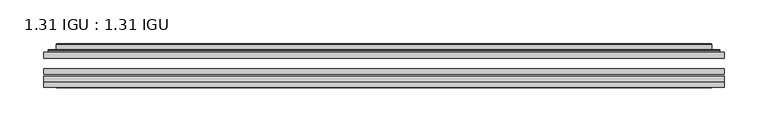
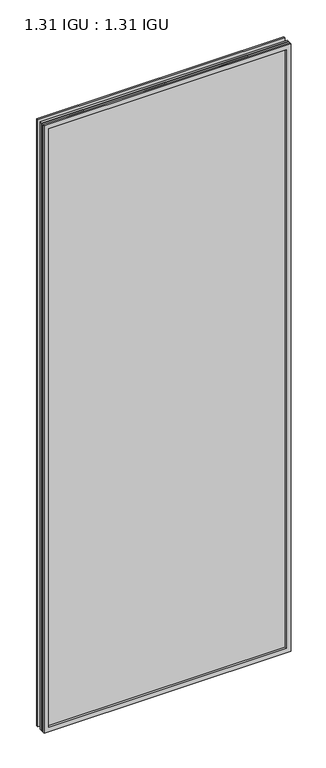
"""IFC4 building model written with IfcOpenShell, lengths in millimetres: plate geometry, 1.31 IGU : 1.31 IGU."""

from ifc_helpers import new_model, si_unit, frame, origin, place, context, project, spatial, polyline, ellipse_curve, outline, extrude, faceted_brep, source, transform, mapped, element, save
from ifc_brep_helpers import plane_surface, cylinder_surface, advanced_brep


def plate_1_31_igu_1_31_igu_a2ac468d(model_context):
    return source(origin(), model_context, "Body", "SolidModel", [
        extrude(outline(polyline([(387.3640393, -63.2975937), (387.3640393, -69.6475938), (-387.3498644, -69.6475938), (-387.3498644, -63.2975937), (387.3640393, -63.2975937)])), frame((0.0, 0.0, -14.2875), z_axis=(0.0, 0.0, 1.0), x_axis=(1.0, 0.0, 0.0)), (0.0, 0.0, 1.0), 2009.7787982),
        extrude(outline(polyline([(-387.3498644, -78.2835938), (-387.3498644, -71.9330887), (387.3640393, -71.9330887), (387.3640393, -78.2835938), (-387.3498644, -78.2835938)])), frame((0.0, 0.0, -14.2875), z_axis=(0.0, 0.0, 1.0), x_axis=(1.0, 0.0, 0.0)), (0.0, 0.0, 1.0), 2009.7787982),
        extrude(outline(polyline([(387.3640393, -44.9587937), (387.3640393, -51.3087938), (-387.3498644, -51.3087938), (-387.3498644, -44.9587937), (387.3640393, -44.9587937)])), frame((0.0, 0.0, -14.2875), z_axis=(0.0, 0.0, 1.0), x_axis=(1.0, 0.0, 0.0)), (0.0, 0.0, 1.0), 2009.7787982),
        faceted_brep([(-387.3625644, -84.6335937, 1995.5002003), (-387.3625644, -78.2835937, 1995.5002003), (-387.3625644, -78.2835937, -14.3002), (-387.3625644, -84.6335937, -14.3002), (387.3625644, -78.2835937, -14.3002), (387.3625644, -84.6335937, -14.3002), (387.3625644, -78.2835937, 1995.5002003), (387.3625644, -84.6335937, 1995.5002003), (-372.1646202, -78.2835937, 0.8977441), (372.1646202, -78.2835937, 0.8977441), (372.1646202, -78.2835937, 1980.3022561), (-372.1646202, -78.2835937, 1980.3022561), (-373.0570545, -84.6335937, 1981.1946904), (373.0570545, -84.6335937, 1981.1946904), (373.0570545, -84.6335937, 0.0053098), (-373.0570545, -84.6335937, 0.0053098)], [[[0, 1, 2, 3]], [[3, 2, 4, 5]], [[5, 4, 6, 7]], [[1, 6, 4, 2], [8, 9, 10, 11]], [[7, 6, 1, 0]], [[3, 5, 7, 0], [12, 13, 14, 15]], [[11, 12, 15, 8]], [[8, 15, 14, 9]], [[9, 14, 13, 10]], [[10, 13, 12, 11]]]),
        advanced_brep(
        [(-380.1085834, -44.9587937, 1988.2462193), (-382.4627888, -42.9691271, 1990.6004247), (-382.4627888, -42.9691271, -9.4004244), (-380.1085834, -44.9587937, -7.046219), (-371.0342583, -41.1187568, 1979.1718942), (-366.0994264, -44.9587937, 1974.2370623), (-366.0994264, -44.9587937, 6.9629379), (-371.0342583, -41.1187568, 2.0281061), (-372.066286, -35.7215256, 1980.2039219), (-372.066286, -35.7215256, 0.9960783), (-373.0569428, -35.3225507, 1981.1945787), (-373.0569428, -35.3225507, 0.0054216), (-373.0569428, -41.7837937, 1981.1945787), (-373.0569428, -41.7837937, 0.0054216), (-381.4609992, -41.7837937, 1989.5986351), (-381.4609992, -41.7837937, -8.3986349), (382.4627888, -42.9691271, -9.4004244), (380.1085834, -44.9587937, -7.046219), (366.0994264, -44.9587937, 6.9629379), (371.0342583, -41.1187568, 2.0281061), (372.066286, -35.7215256, 0.9960783), (373.0569428, -35.3225507, 0.0054216), (373.0569428, -41.7837937, 0.0054216), (381.4609992, -41.7837937, -8.3986349), (382.4627888, -42.9691271, 1990.6004247), (380.1085834, -44.9587937, 1988.2462193), (366.0994264, -44.9587937, 1974.2370623), (371.0342583, -41.1187568, 1979.1718942), (372.066286, -35.7215256, 1980.2039219), (373.0569428, -35.3225507, 1981.1945787), (373.0569428, -41.7837937, 1981.1945787), (381.4609992, -41.7837937, 1989.5986351)],
        [
            (0, 1, ellipse_curve(frame((-380.1085834, -42.5711937, 1988.2462193), z_axis=(-0.7071067811865475, 0.0, -0.7071067811865475), x_axis=(-0.7071067811865474, 0.0, 0.7071067811865476)), 3.3765763, 2.3876)),
            (1, 2),
            (2, 3, ellipse_curve(frame((-380.1085834, -42.5711937, -7.046219), z_axis=(-0.7071067811865475, 0.0, 0.7071067811865475), x_axis=(0.7071067811865474, 0.0, 0.7071067811865476)), 3.3765763, 2.3876)),
            (3, 0),
            (4, 5),
            (5, 6),
            (6, 7),
            (7, 4),
            (8, 4),
            (7, 9),
            (9, 8),
            (10, 8, ellipse_curve(frame((-372.6899862, -35.840786, 1980.8276221), z_axis=(-0.7071067811865475, 0.0, -0.7071067811865475), x_axis=(-0.7071067811865474, 0.0, 0.7071067811865476)), 0.8980256, 0.635)),
            (9, 11, ellipse_curve(frame((-372.6899862, -35.840786, 0.3723781), z_axis=(-0.7071067811865475, 0.0, 0.7071067811865475), x_axis=(0.7071067811865474, 0.0, 0.7071067811865476)), 0.8980256, 0.635)),
            (11, 10),
            (12, 10),
            (11, 13),
            (13, 12),
            (1, 14, ellipse_curve(frame((-381.4609992, -42.7997937, 1989.5986351), z_axis=(-0.7071067811865475, 0.0, -0.7071067811865475), x_axis=(-0.7071067811865474, 0.0, 0.7071067811865476)), 1.436841, 1.016)),
            (14, 15),
            (15, 2, ellipse_curve(frame((-381.4609992, -42.7997937, -8.3986349), z_axis=(-0.7071067811865475, 0.0, 0.7071067811865475), x_axis=(0.7071067811865474, 0.0, 0.7071067811865476)), 1.436841, 1.016)),
            (2, 16),
            (16, 17, ellipse_curve(frame((380.1085834, -42.5711937, -7.046219), z_axis=(-0.7071067811865475, 0.0, -0.7071067811865475), x_axis=(-0.7071067811865476, 0.0, 0.7071067811865474)), 3.3765763, 2.3876)),
            (17, 3),
            (6, 18),
            (18, 19),
            (19, 7),
            (19, 20),
            (20, 9),
            (20, 21, ellipse_curve(frame((372.6899862, -35.840786, 0.3723781), z_axis=(-0.7071067811865475, 0.0, -0.7071067811865475), x_axis=(-0.7071067811865476, 0.0, 0.7071067811865474)), 0.8980256, 0.635)),
            (21, 11),
            (21, 22),
            (22, 13),
            (15, 23),
            (23, 16, ellipse_curve(frame((381.4609992, -42.7997937, -8.3986349), z_axis=(-0.7071067811865475, 0.0, -0.7071067811865475), x_axis=(-0.7071067811865476, 0.0, 0.7071067811865474)), 1.436841, 1.016)),
            (16, 24),
            (24, 25, ellipse_curve(frame((380.1085834, -42.5711937, 1988.2462193), z_axis=(0.7071067811865475, 0.0, -0.7071067811865475), x_axis=(-0.7071067811865474, 0.0, -0.7071067811865476)), 3.3765763, 2.3876)),
            (25, 17),
            (18, 26),
            (26, 27),
            (27, 19),
            (27, 28),
            (28, 20),
            (28, 29, ellipse_curve(frame((372.6899862, -35.840786, 1980.8276221), z_axis=(0.7071067811865475, 0.0, -0.7071067811865475), x_axis=(-0.7071067811865474, 0.0, -0.7071067811865476)), 0.8980256, 0.635)),
            (29, 21),
            (29, 30),
            (30, 22),
            (23, 31),
            (31, 24, ellipse_curve(frame((381.4609992, -42.7997937, 1989.5986351), z_axis=(0.7071067811865475, 0.0, -0.7071067811865475), x_axis=(-0.7071067811865474, 0.0, -0.7071067811865476)), 1.436841, 1.016)),
            (24, 1),
            (0, 25),
            (5, 26),
            (4, 27),
            (8, 28),
            (10, 29),
            (12, 30),
            (14, 31),
        ],
        [
            cylinder_surface(frame((-380.1085834, -42.5711937, 2012.9500003), z_axis=(0.0, 0.0, 1.0), x_axis=(-1.0, 0.0, 0.0)), 2.3876),
            plane_surface(frame((-366.0994264, -44.9587937, 1974.2370623), z_axis=(0.6141233906514794, 0.7892100234124821, 0.0), x_axis=(0.0, 0.0, -1.0))),
            plane_surface(frame((-371.0342583, -41.1187568, 1979.1718942), z_axis=(0.9822050625507729, 0.18781164793386076, 0.0), x_axis=(0.0, 0.0, -1.0))),
            cylinder_surface(frame((-372.6899862, -35.840786, 2012.9500003), z_axis=(0.0, 0.0, 1.0), x_axis=(-1.0, 0.0, 0.0)), 0.635),
            plane_surface(frame((-373.0569428, -35.3225507, 1981.1945787), z_axis=(-1.0, 0.0, 0.0), x_axis=(0.0, 0.0, -1.0))),
            cylinder_surface(frame((-381.4609992, -42.7997937, 2012.9500003), z_axis=(0.0, 0.0, 1.0), x_axis=(-1.0, 0.0, 0.0)), 1.016),
            cylinder_surface(frame((-404.8123644, -42.5711937, -7.046219), z_axis=(-1.0, 0.0, 0.0), x_axis=(0.0, 0.0, -1.0)), 2.3876),
            plane_surface(frame((-366.0994264, -44.9587937, 6.9629379), z_axis=(0.0, 0.7892100234124841, 0.6141233906514768), x_axis=(1.0, 0.0, 0.0))),
            plane_surface(frame((-371.0342583, -41.1187568, 2.0281061), z_axis=(0.0, 0.18781164793386393, 0.9822050625507723), x_axis=(1.0, 0.0, 0.0))),
            cylinder_surface(frame((-404.8123644, -35.840786, 0.3723781), z_axis=(-1.0, 0.0, 0.0), x_axis=(0.0, 0.0, -1.0)), 0.635),
            plane_surface(frame((-373.0569428, -35.3225507, 0.0054216), z_axis=(0.0, 0.0, -1.0), x_axis=(1.0, 0.0, 0.0))),
            cylinder_surface(frame((-404.8123644, -42.7997937, -8.3986349), z_axis=(-1.0, 0.0, 0.0), x_axis=(0.0, 0.0, -1.0)), 1.016),
            cylinder_surface(frame((380.1085834, -42.5711937, -31.75), z_axis=(0.0, 0.0, -1.0), x_axis=(1.0, 0.0, 0.0)), 2.3876),
            plane_surface(frame((366.0994264, -44.9587937, 6.9629379), z_axis=(-0.6141233906514743, 0.7892100234124861, 0.0), x_axis=(0.0, 0.0, 1.0))),
            plane_surface(frame((371.0342583, -41.1187568, 2.0281061), z_axis=(-0.9822050625507718, 0.1878116479338671, 0.0), x_axis=(0.0, 0.0, 1.0))),
            cylinder_surface(frame((372.6899862, -35.840786, -31.75), z_axis=(0.0, 0.0, -1.0), x_axis=(1.0, 0.0, 0.0)), 0.635),
            plane_surface(frame((373.0569428, -35.3225507, 0.0054216), z_axis=(1.0, 0.0, 0.0), x_axis=(0.0, 0.0, 1.0))),
            cylinder_surface(frame((381.4609992, -42.7997937, -31.75), z_axis=(0.0, 0.0, -1.0), x_axis=(1.0, 0.0, 0.0)), 1.016),
            cylinder_surface(frame((404.8123644, -42.5711937, 1988.2462193), z_axis=(1.0, 0.0, 0.0), x_axis=(0.0, 0.0, 1.0)), 2.3876),
            plane_surface(frame((380.1085834, -44.9587937, 1988.2462193), z_axis=(0.0, -1.0, 0.0), x_axis=(-1.0, 0.0, 0.0))),
            plane_surface(frame((366.0994264, -44.9587937, 1974.2370623), z_axis=(0.0, 0.7892100234124841, -0.6141233906514768), x_axis=(-1.0, 0.0, 0.0))),
            plane_surface(frame((371.0342583, -41.1187568, 1979.1718942), z_axis=(0.0, 0.18781164793386393, -0.9822050625507723), x_axis=(-1.0, 0.0, 0.0))),
            cylinder_surface(frame((404.8123644, -35.840786, 1980.8276221), z_axis=(1.0, 0.0, 0.0), x_axis=(0.0, 0.0, 1.0)), 0.635),
            plane_surface(frame((373.0569428, -35.3225507, 1981.1945787), z_axis=(0.0, 0.0, 1.0), x_axis=(-1.0, 0.0, 0.0))),
            plane_surface(frame((373.0569428, -41.7837937, 1981.1945787), z_axis=(0.0, 1.0, 0.0), x_axis=(-1.0, 0.0, 0.0))),
            cylinder_surface(frame((404.8123644, -42.7997937, 1989.5986351), z_axis=(1.0, 0.0, 0.0), x_axis=(0.0, 0.0, 1.0)), 1.016),
        ],
        [
            (0, [[1, 2, 3, 4]]),
            (1, [[5, 6, 7, 8]]),
            (2, [[9, -8, 10, 11]]),
            (3, [[12, -11, 13, 14]]),
            (4, [[15, -14, 16, 17]]),
            (5, [[18, 19, 20, -2]]),
            (6, [[-3, 21, 22, 23]]),
            (7, [[-7, 24, 25, 26]]),
            (8, [[-10, -26, 27, 28]]),
            (9, [[-13, -28, 29, 30]]),
            (10, [[-16, -30, 31, 32]]),
            (11, [[-20, 33, 34, -21]]),
            (12, [[-22, 35, 36, 37]]),
            (13, [[-25, 38, 39, 40]]),
            (14, [[-27, -40, 41, 42]]),
            (15, [[-29, -42, 43, 44]]),
            (16, [[-31, -44, 45, 46]]),
            (17, [[-34, 47, 48, -35]]),
            (18, [[-36, 49, -1, 50]]),
            (19, [[-23, -37, -50, -4], [51, -38, -24, -6]]),
            (20, [[-39, -51, -5, 52]]),
            (21, [[-41, -52, -9, 53]]),
            (22, [[-43, -53, -12, 54]]),
            (23, [[-45, -54, -15, 55]]),
            (24, [[56, -47, -33, -19], [-32, -46, -55, -17]]),
            (25, [[-48, -56, -18, -49]]),
        ],
    ),
    ])


if __name__ == "__main__":
    model = new_model("IFC4")
    model_context = context("Model", 3, world=origin())
    ifc_project = project(units=[si_unit("LENGTHUNIT", "METRE", prefix="MILLI")], contexts=[model_context])
    site = spatial("IfcSite", under=ifc_project)
    building = spatial("IfcBuilding", under=site)
    placement = place(None, origin())
    plate_1_31_igu_1_31_igu_shape = plate_1_31_igu_1_31_igu_a2ac468d(model_context)
    element("IfcPlate", 1, ObjectType="1.31 IGU : 1.31 IGU", at=placement, inside=building, context=model_context, shape_type="MappedRepresentation", body=[
        mapped(plate_1_31_igu_1_31_igu_shape, transform((0.0, 0.0, 0.0), x_axis=(1.0, 0.0, 0.0), y_axis=(0.0, 1.0, 0.0), z_axis=(0.0, 0.0, 1.0))),
    ])
    save(model, "model.ifc")
